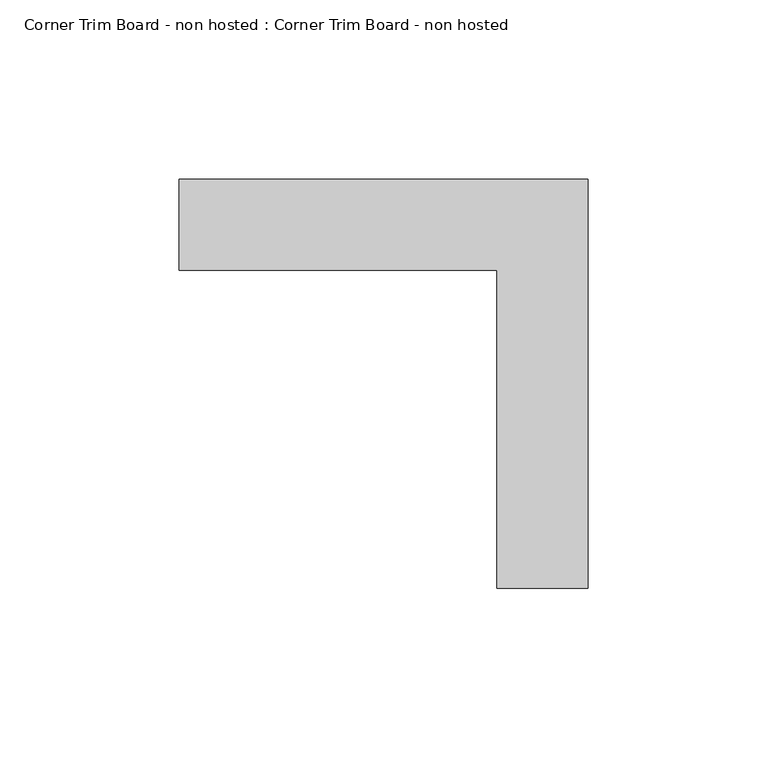
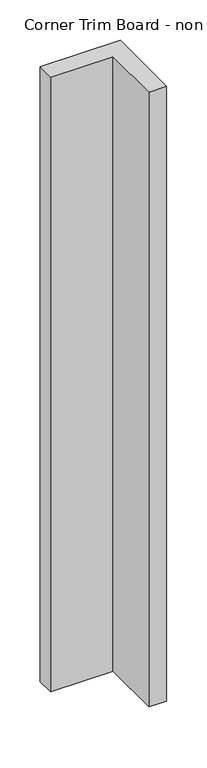
"""IFC4 building model written with IfcOpenShell, lengths in millimetres: proxy geometry, Corner Trim Board - non hosted : Corner Trim Board - non hosted."""

from ifc_helpers import new_model, si_unit, origin, origin_with_axes, place, context, project, spatial, polyline, outline, extrude, source, transform, mapped, element, save


def corner_trim_board_non_hosted_corner_trim_board_non_hosted_b5c8d4a7(model_context):
    return source(origin(), model_context, "Body", "SweptSolid", [
        extrude(outline(polyline([(-84.6056616, 25.4), (29.6943384, 25.4), (29.6943384, -88.9), (4.2943384, -88.9), (4.2943384, 0.0), (-84.6056616, 0.0), (-84.6056616, 25.4)])), origin_with_axes(), (0.0, 0.0, 1.0), 927.1),
    ])


if __name__ == "__main__":
    model = new_model("IFC4")
    model_context = context("Model", 3, world=origin())
    ifc_project = project(units=[si_unit("LENGTHUNIT", "METRE", prefix="MILLI")], contexts=[model_context])
    site = spatial("IfcSite", under=ifc_project)
    building = spatial("IfcBuilding", under=site)
    placement = place(None, origin())
    corner_trim_board_non_hosted_corner_trim_board_non_hosted_shape = corner_trim_board_non_hosted_corner_trim_board_non_hosted_b5c8d4a7(model_context)
    element("IfcBuildingElementProxy", 1, Name="Corner Trim Board - non hosted : Corner Trim Board - non hosted", ObjectType="Corner Trim Board - non hosted : Corner Trim Board - non hosted", at=placement, inside=building, context=model_context, shape_type="MappedRepresentation", body=[
        mapped(corner_trim_board_non_hosted_corner_trim_board_non_hosted_shape, transform((0.0, 0.0, 0.0), x_axis=(1.0, 0.0, 0.0), y_axis=(0.0, 1.0, 0.0), z_axis=(0.0, 0.0, 1.0))),
    ])
    save(model, "model.ifc")
